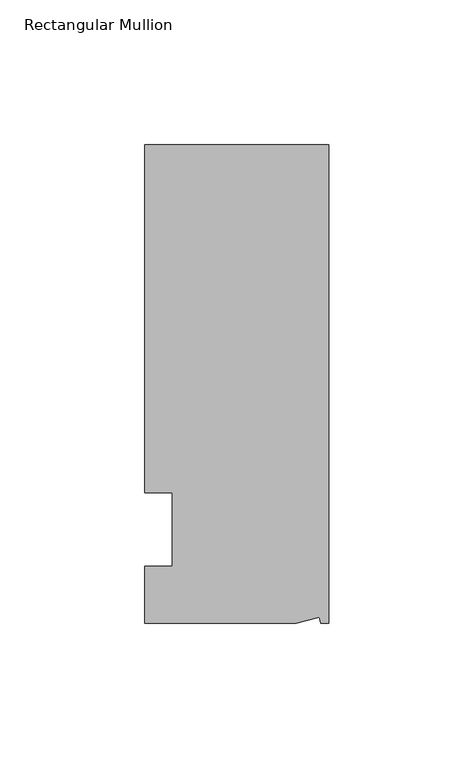
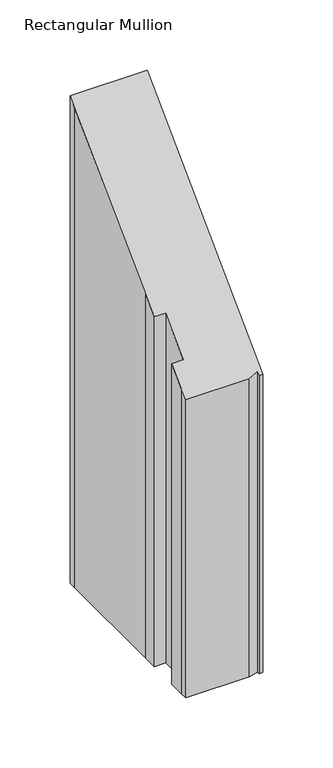
"""IFC4 building model written with IfcOpenShell, lengths in millimetres: member geometry, Rectangular Mullion."""

from ifc_helpers import new_model, si_unit, origin, place, context, project, spatial, faceted_brep, source, transform, mapped, element, save


def rectangular_mullion_4248f896(model_context):
    return source(origin(), model_context, "Body", "Brep", [
        faceted_brep([(-3.3457217, -17.5748952, -17.5748952), (-11.1265412, -19.6597595, -19.6597595), (-11.1265412, -19.6597595, -279.4), (-3.3457217, -17.5748952, -279.4), (-2.787084, -19.6597595, -19.6597595), (-2.787084, -19.6597595, -279.4), (0.0, -19.6597595, -19.6597595), (0.0, -19.6597595, -279.4), (0.0, 145.4402405, 145.4402405), (0.0, 145.4402405, -279.4), (-63.5, 145.4402405, 145.4402405), (-63.5, 145.4402405, -279.4), (-63.5, 139.091245, 139.091245), (-63.5, 139.091245, -279.4), (-63.5, 38.3358837, 38.3358837), (-63.5, 38.3358837, -279.4), (-53.975, 25.4, 25.4), (-63.5, 25.4, 25.4), (-63.5, 25.4, -279.4), (-53.975, 25.4, -279.4), (-53.975, 0.0, 0.0), (-53.975, 0.0, -279.4), (-63.5, 0.0, 0.0), (-63.5, 0.0, -279.4), (-63.5, -13.6200033, -13.6200033), (-63.5, -13.6200033, -279.4), (-63.5, -19.6597595, -19.6597595), (-63.5, -19.6597595, -279.4)], [[[0, 1, 2, 3]], [[4, 0, 3, 5]], [[6, 4, 5, 7]], [[8, 6, 7, 9]], [[10, 8, 9, 11]], [[12, 10, 11, 13]], [[14, 12, 13, 15]], [[16, 17, 18, 19]], [[20, 16, 19, 21]], [[22, 20, 21, 23]], [[24, 22, 23, 25]], [[1, 26, 27, 2]], [[1, 0, 4, 6, 8, 10, 12, 14, 17, 16, 20, 22, 24, 26]], [[2, 27, 25, 23, 21, 19, 18, 15, 13, 11, 9, 7, 5, 3]], [[17, 14, 15, 18]], [[26, 24, 25, 27]]]),
    ])


if __name__ == "__main__":
    model = new_model("IFC4")
    model_context = context("Model", 3, world=origin())
    ifc_project = project(units=[si_unit("LENGTHUNIT", "METRE", prefix="MILLI")], contexts=[model_context])
    site = spatial("IfcSite", under=ifc_project)
    building = spatial("IfcBuilding", under=site)
    placement = place(None, origin())
    rectangular_mullion_shape = rectangular_mullion_4248f896(model_context)
    element("IfcMember", 1, ObjectType="Rectangular Mullion", at=placement, inside=building, context=model_context, shape_type="MappedRepresentation", body=[
        mapped(rectangular_mullion_shape, transform((0.0, 0.0, 0.0), x_axis=(1.0, 0.0, 0.0), y_axis=(0.0, 1.0, 0.0), z_axis=(0.0, 0.0, 1.0))),
    ])
    save(model, "model.ifc")
